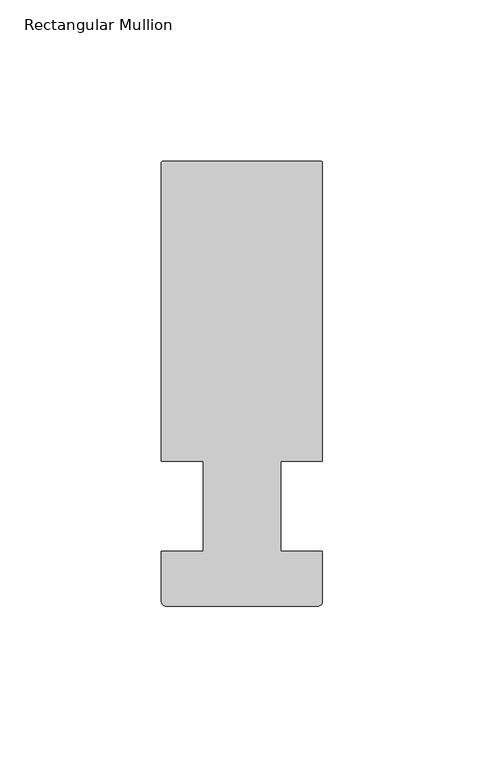
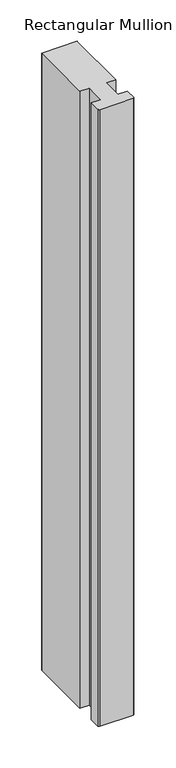
"""IFC4 building model written with IfcOpenShell, lengths in millimetres: member geometry, Rectangular Mullion."""

import ifcopenshell
import ifcopenshell.guid

model = None  # the IFC model being written
_history = None  # IfcOwnerHistory: only IFC2X3 demands one
_inside = {}  # id of a spatial element -> (the spatial element, [elements in it])
_under = {}  # id of a project, library or spatial element -> (it, [spatial elements below it])
_declared = {}  # id of a project -> (the project, [libraries it declares])
_typed = {}  # id of a type object -> (the type object, [elements of that type])
_made_of = {}  # id of a material, layer set ... -> (it, [elements and type objects made of it])


def new_model(schema):
    """Start an empty IFC model of exactly this schema.

    Asked for "IFC4X3", IfcOpenShell would pick the latest addendum, in which some entities
    have other attributes; the version numbers below select the first issue.
    IFC2X3 requires an IfcOwnerHistory on every rooted entity: one is made here for all.
    """
    global model, _history
    if schema == "IFC4X3":
        model = ifcopenshell.file(schema_version=(4, 3, 0, 0))
    else:
        model = ifcopenshell.file(schema=schema)
    _inside.clear()
    _under.clear()
    _declared.clear()
    _typed.clear()
    _made_of.clear()
    _history = None
    if model.schema == "IFC2X3":
        org = make("IfcOrganization", Name="unknown")
        user = make(
            "IfcPersonAndOrganization",
            ThePerson=make("IfcPerson", FamilyName="unknown"),
            TheOrganization=org,
        )
        app = make(
            "IfcApplication",
            ApplicationDeveloper=org,
            Version="unknown",
            ApplicationFullName="unknown",
            ApplicationIdentifier="unknown",
        )
        _history = make(
            "IfcOwnerHistory",
            OwningUser=user,
            OwningApplication=app,
            ChangeAction="ADDED",
            CreationDate=0,
        )
    return model


def make(cls, **values):
    """One entity of the class cls with the attributes given. An attribute that is None is left unset."""
    return model.create_entity(
        cls, **{name: value for name, value in values.items() if value is not None}
    )


def rooted(cls, **values):
    """An entity with a GlobalId (a new one), such as an element, a storey or a relation."""
    return make(cls, GlobalId=ifcopenshell.guid.new(), OwnerHistory=_history, **values)


def si_unit(unit_type, name, prefix=None):
    """IfcSIUnit, for example si_unit("LENGTHUNIT", "METRE", prefix="MILLI")."""
    return make("IfcSIUnit", UnitType=unit_type, Prefix=prefix, Name=name)


def assignment(units):
    """IfcUnitAssignment: the units of a project."""
    return None if units is None else make("IfcUnitAssignment", Units=units)


def point(xyz):
    """IfcCartesianPoint."""
    return None if xyz is None else make("IfcCartesianPoint", Coordinates=xyz)


def direction(xyz):
    """IfcDirection."""
    return None if xyz is None else make("IfcDirection", DirectionRatios=xyz)


def frame(location, z_axis=None, x_axis=None):
    """IfcAxis2Placement3D, a coordinate frame: its origin and axes. An axis left out is left unset."""
    return make(
        "IfcAxis2Placement3D",
        Location=point(location),
        Axis=direction(z_axis),
        RefDirection=direction(x_axis),
    )


def frame_2d(location, x_axis=None):
    """IfcAxis2Placement2D, a coordinate frame in the plane: its origin and x axis."""
    return make(
        "IfcAxis2Placement2D", Location=point(location), RefDirection=direction(x_axis)
    )


def origin():
    """The frame at (0, 0, 0) with its axes left unset."""
    return frame((0.0, 0.0, 0.0))


def place(relative_to, where):
    """IfcLocalPlacement: puts the frame where relative to a parent placement (None: the world)."""
    return make(
        "IfcLocalPlacement", PlacementRelTo=relative_to, RelativePlacement=where
    )


def context(
    kind, dimensions, precision=None, world=None, true_north=None, identifier=None
):
    """IfcGeometricRepresentationContext, for example the 3D "Model" context."""
    return make(
        "IfcGeometricRepresentationContext",
        ContextIdentifier=identifier,
        ContextType=kind,
        CoordinateSpaceDimension=dimensions,
        Precision=precision,
        WorldCoordinateSystem=world,
        TrueNorth=true_north,
    )


def project(units=None, contexts=None):
    """IfcProject with its units and contexts."""
    return rooted(
        "IfcProject",
        Name="project",
        RepresentationContexts=contexts,
        UnitsInContext=assignment(units),
    )


def spatial(cls, under=None, at=None, **own):
    """A site, building, storey or space (cls), placed at a placement, below another one or the project."""
    s = rooted(cls, ObjectPlacement=at, **own)
    if under is not None:
        _under.setdefault(under.id(), (under, []))[1].append(s)
    return s


def polyline(points):
    """IfcPolyline through the points."""
    return make("IfcPolyline", Points=[point(p) for p in points])


def circle_curve(where, radius):
    """IfcCircle in the frame where."""
    return make("IfcCircle", Position=where, Radius=radius)


def trimmed(basis, trim1, trim2, sense, master):
    """IfcTrimmedCurve: the piece of a basis curve between two trims."""
    return make(
        "IfcTrimmedCurve",
        BasisCurve=basis,
        Trim1=trim1,
        Trim2=trim2,
        SenseAgreement=sense,
        MasterRepresentation=master,
    )


def segment(curve, same_sense, transition):
    """IfcCompositeCurveSegment."""
    return make(
        "IfcCompositeCurveSegment",
        Transition=transition,
        SameSense=same_sense,
        ParentCurve=curve,
    )


def composite_curve(segments, self_intersect=None):
    """IfcCompositeCurve: segments joined end to end."""
    return make("IfcCompositeCurve", Segments=segments, SelfIntersect=self_intersect)


def outline(outer, holes=None, kind="AREA"):
    """IfcArbitraryClosedProfileDef: a profile drawn as a closed curve; with holes, ...WithVoids."""
    if holes is None:
        return make("IfcArbitraryClosedProfileDef", ProfileType=kind, OuterCurve=outer)
    return make(
        "IfcArbitraryProfileDefWithVoids",
        ProfileType=kind,
        OuterCurve=outer,
        InnerCurves=holes,
    )


def extrude(swept, where, along, depth):
    """IfcExtrudedAreaSolid: the profile swept, set in the frame where, extruded along a direction by depth."""
    return make(
        "IfcExtrudedAreaSolid",
        SweptArea=swept,
        Position=where,
        ExtrudedDirection=direction(along),
        Depth=depth,
    )


def shape(context_of_items, identifier, shape_type, items):
    """IfcShapeRepresentation: the items that make up one representation, for example the "Body"."""
    return make(
        "IfcShapeRepresentation",
        ContextOfItems=context_of_items,
        RepresentationIdentifier=identifier,
        RepresentationType=shape_type,
        Items=items,
    )


def source(mapping_origin, context_of_items, identifier, shape_type, items):
    """IfcRepresentationMap: a shape defined once, which mapped items show again and again."""
    return make(
        "IfcRepresentationMap",
        MappingOrigin=mapping_origin,
        MappedRepresentation=shape(context_of_items, identifier, shape_type, items),
    )


def transform(
    local_origin,
    x_axis=None,
    y_axis=None,
    z_axis=None,
    scale=None,
    scale2=None,
    scale3=None,
    uniform=True,
):
    """IfcCartesianTransformationOperator3D, or its non-uniform kind. x_axis, y_axis, z_axis: its Axis1, 2, 3."""
    if uniform:
        return make(
            "IfcCartesianTransformationOperator3D",
            Axis1=direction(x_axis),
            Axis2=direction(y_axis),
            LocalOrigin=point(local_origin),
            Scale=scale,
            Axis3=direction(z_axis),
        )
    return make(
        "IfcCartesianTransformationOperator3DnonUniform",
        Axis1=direction(x_axis),
        Axis2=direction(y_axis),
        LocalOrigin=point(local_origin),
        Scale=scale,
        Axis3=direction(z_axis),
        Scale2=scale2,
        Scale3=scale3,
    )


def mapped(mapping_source, mapping_target):
    """IfcMappedItem: shows the shape of a source again, moved by a transform."""
    return make(
        "IfcMappedItem", MappingSource=mapping_source, MappingTarget=mapping_target
    )


def made_of(thing, what):
    """Note that an element or type object is made of a material, layer set ...; save() writes the relation."""
    if what is not None:
        _made_of.setdefault(what.id(), (what, []))[1].append(thing)
    return thing


def element(
    cls,
    number,
    at=None,
    inside=None,
    cuts=None,
    type_object=None,
    material=None,
    context=None,
    identifier="Body",
    shape_type=None,
    held_by="IfcProductDefinitionShape",
    body=None,
    shapes=None,
    **own,
):
    """One element of the class cls, such as IfcWall. Its Tag is "e" and its number.

    at: its placement. inside: the storey or other place that contains it. cuts: it is an
    opening in that element (IfcRelVoidsElement). A single representation is given by context,
    identifier, shape_type and body (its items); several are given by shapes. held_by: the class
    of the entity that holds the representations. save() writes the other relations.
    """
    e = rooted(cls, Tag="e%d" % number, ObjectPlacement=at, **own)
    if body is not None:
        shapes = [shape(context, identifier, shape_type, body)]
    if shapes is not None:
        e.Representation = make(held_by, Representations=shapes)
    if inside is not None:
        _inside.setdefault(inside.id(), (inside, []))[1].append(e)
    if cuts is not None:
        rooted(
            "IfcRelVoidsElement", RelatingBuildingElement=cuts, RelatedOpeningElement=e
        )
    if type_object is not None:
        _typed.setdefault(type_object.id(), (type_object, []))[1].append(e)
    return made_of(e, material)


def aggregate(whole, parts):
    """IfcRelAggregates: a whole, such as a stair, and the parts it consists of."""
    return rooted("IfcRelAggregates", RelatingObject=whole, RelatedObjects=parts)


def save(model, path):
    """Write the relations noted so far, then the file.

    IfcRelAggregates (storeys below a building ...), IfcRelContainedInSpatialStructure (elements
    in a storey), IfcRelDefinesByType, IfcRelAssociatesMaterial and IfcRelDeclares: one each for
    every whole, place, type object, material and project.
    """
    for whole, parts in _under.values():
        aggregate(whole, parts)
    for where, things in _inside.values():
        rooted(
            "IfcRelContainedInSpatialStructure",
            RelatedElements=things,
            RelatingStructure=where,
        )
    for kind, things in _typed.values():
        rooted("IfcRelDefinesByType", RelatedObjects=things, RelatingType=kind)
    for what, things in _made_of.values():
        rooted("IfcRelAssociatesMaterial", RelatedObjects=things, RelatingMaterial=what)
    for by, libraries in _declared.values():
        rooted("IfcRelDeclares", RelatingContext=by, RelatedDefinitions=libraries)
    model.write(path)


def rectangular_mullion_213d9820(model_context):
    return source(origin(), model_context, "Body", "SweptSolid", [
        extrude(outline(composite_curve([segment(polyline([(25.0000007, 106.500001), (25.0000007, 14.0), (12.0000006, 14.0), (12.0000006, -14.0), (25.0000007, -14.0), (25.0000007, -29.499999)]), True, "CONTINUOUS"), segment(trimmed(circle_curve(frame_2d((23.5000007, -29.499999)), 1.5), [point((25.0000007, -29.499999))], [point((23.5000007, -30.999999))], False, "CARTESIAN"), True, "CONTINUOUS"), segment(polyline([(23.5000007, -30.999999), (-23.4999993, -30.999999)]), True, "CONTINUOUS"), segment(trimmed(circle_curve(frame_2d((-23.4999993, -29.499999)), 1.5), [point((-23.4999993, -30.999999))], [point((-24.9999993, -29.499999))], False, "CARTESIAN"), True, "CONTINUOUS"), segment(polyline([(-24.9999993, -29.499999), (-24.9999993, -14.0), (-11.9995134, -14.0), (-11.9995134, 14.0), (-24.9999993, 14.0), (-24.9999993, 106.500001)]), True, "CONTINUOUS"), segment(trimmed(circle_curve(frame_2d((-24.4999993, 106.500001)), 0.5), [point((-24.9999993, 106.500001))], [point((-24.4999993, 107.000001))], False, "CARTESIAN"), True, "CONTINUOUS"), segment(polyline([(-24.4999993, 107.000001), (24.5000007, 107.000001)]), True, "CONTINUOUS"), segment(trimmed(circle_curve(frame_2d((24.5000007, 106.500001)), 0.5), [point((24.5000007, 107.000001))], [point((25.0000007, 106.500001))], False, "CARTESIAN"), True, "CONTINUOUS")], self_intersect=False)), frame((0.0, 0.0, -909.5880982), z_axis=(0.0, 0.0, 1.0), x_axis=(1.0, 0.0, 0.0)), (0.0, 0.0, 1.0), 909.5880982),
    ])


if __name__ == "__main__":
    model = new_model("IFC4")
    model_context = context("Model", 3, world=origin())
    ifc_project = project(units=[si_unit("LENGTHUNIT", "METRE", prefix="MILLI")], contexts=[model_context])
    site = spatial("IfcSite", under=ifc_project)
    building = spatial("IfcBuilding", under=site)
    placement = place(None, origin())
    rectangular_mullion_shape = rectangular_mullion_213d9820(model_context)
    element("IfcMember", 1, ObjectType="Rectangular Mullion", at=placement, inside=building, context=model_context, shape_type="MappedRepresentation", body=[
        mapped(rectangular_mullion_shape, transform((0.0, 0.0, 0.0), x_axis=(1.0, 0.0, 0.0), y_axis=(0.0, 1.0, 0.0), z_axis=(0.0, 0.0, 1.0))),
    ])
    save(model, "model.ifc")
